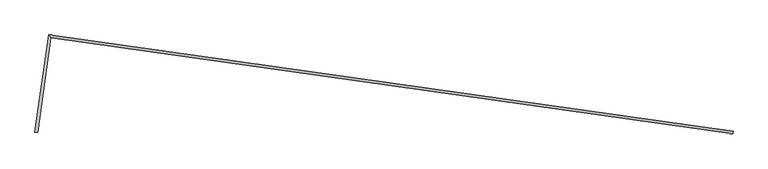
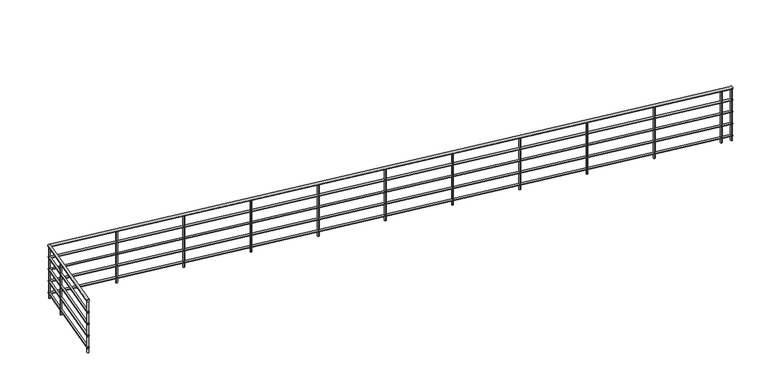
"""IFC4 building model written with IfcOpenShell, lengths in millimetres: railing geometry."""

from ifc_helpers import new_model, si_unit, point, frame, frame_2d, origin, place, context, project, spatial, circle_curve, ellipse_curve, trimmed, segment, composite_curve, outline, extrude, source, transform, mapped, element, save
from ifc_brep_helpers import plane_surface, cylinder_surface, advanced_brep


def railing_ba797a89(model_context):
    return source(origin(), model_context, "Body", "SolidModel", [
        advanced_brep(
        [(-8253.1368353, -549.3638195, 4180.0), (-8213.5261125, -554.9307435, 4180.0), (-8052.0317044, 881.5735398, 4180.0), (-8017.9879057, 836.3958931, 4180.0), (2030.2211885, -535.3946974, 4180.0), (2024.6542645, -575.0054202, 4180.0)],
        [
            (0, 1, circle_curve(frame((-8233.3314739, -552.1472815, 4180.0), z_axis=(-0.1391731009600669, -0.9902680687415701, 0.0), x_axis=(0.9902680687415701, -0.1391731009600669, 0.0)), 20.0)),
            (1, 0, circle_curve(frame((-8233.3314739, -552.1472815, 4180.0), z_axis=(-0.1391731009600669, -0.9902680687415701, 0.0), x_axis=(0.9902680687415701, -0.1391731009600669, 0.0)), 20.0)),
            (0, 2),
            (2, 3, ellipse_curve(frame((-8035.009805, 858.9847164, 4180.0), z_axis=(-0.7986355100472963, -0.6018150231520438, 0.0), x_axis=(0.6018150231520438, -0.7986355100472962, 0.0)), 28.2842712, 20.0)),
            (3, 1),
            (3, 2, ellipse_curve(frame((-8035.009805, 858.9847164, 4180.0), z_axis=(-0.7986355100472963, -0.6018150231520438, 0.0), x_axis=(0.6018150231520438, -0.7986355100472962, 0.0)), 28.2842712, 20.0)),
            (4, 5, circle_curve(frame((2027.4377265, -555.2000588, 4180.0), z_axis=(0.9902680687415689, -0.13917310096007532, 0.0), x_axis=(-0.13917310096007532, -0.9902680687415689, 0.0)), 20.0)),
            (5, 4, circle_curve(frame((2027.4377265, -555.2000588, 4180.0), z_axis=(0.9902680687415689, -0.13917310096007532, 0.0), x_axis=(-0.13917310096007532, -0.9902680687415689, 0.0)), 20.0)),
            (2, 4),
            (5, 3),
        ],
        [
            plane_surface(frame((-8233.3314739, -552.1472815, 4200.0), z_axis=(-0.13917310096006694, -0.9902680687415701, 0.0), x_axis=(0.9902680687415701, -0.13917310096006694, 0.0))),
            cylinder_surface(frame((-8233.3314739, -552.1472815, 4180.0), z_axis=(-0.1391731009600669, -0.9902680687415701, 0.0), x_axis=(0.9902680687415701, -0.1391731009600669, 0.0)), 20.0),
            plane_surface(frame((2027.4377265, -555.2000588, 4200.0), z_axis=(0.990268068741569, -0.13917310096007543, 0.0), x_axis=(0.13917310096007543, 0.990268068741569, 0.0))),
            cylinder_surface(frame((-8035.009805, 858.9847164, 4180.0), z_axis=(-0.9902680687415689, 0.13917310096007532, 0.0), x_axis=(-0.13917310096007532, -0.9902680687415689, 0.0)), 20.0),
        ],
        [
            (0, [[1, 2]]),
            (1, [[-1, 3, 4, 5]]),
            (1, [[-2, -5, 6, -3]]),
            (2, [[7, 8]]),
            (3, [[-4, 9, -8, 10]]),
            (3, [[-6, -10, -7, -9]]),
        ],
    ),
        advanced_brep(
        [(-8248.1854949, -550.059685, 3985.0), (-8218.4774529, -554.234878, 3985.0), (-8047.7762295, 875.926334, 3985.0), (-8022.2433805, 842.0430989, 3985.0), (2029.525323, -540.3460377, 3985.0), (2025.35013, -570.0540798, 3985.0)],
        [
            (0, 1, circle_curve(frame((-8233.3314739, -552.1472815, 3985.0), z_axis=(-0.1391731009600669, -0.9902680687415701, 0.0), x_axis=(0.9902680687415701, -0.1391731009600669, 0.0)), 15.0)),
            (1, 0, circle_curve(frame((-8233.3314739, -552.1472815, 3985.0), z_axis=(-0.1391731009600669, -0.9902680687415701, 0.0), x_axis=(0.9902680687415701, -0.1391731009600669, 0.0)), 15.0)),
            (0, 2),
            (2, 3, ellipse_curve(frame((-8035.009805, 858.9847164, 3985.0), z_axis=(-0.7986355100472963, -0.6018150231520438, 0.0), x_axis=(0.6018150231520438, -0.7986355100472962, 0.0)), 21.2132034, 15.0)),
            (3, 1),
            (3, 2, ellipse_curve(frame((-8035.009805, 858.9847164, 3985.0), z_axis=(-0.7986355100472963, -0.6018150231520438, 0.0), x_axis=(0.6018150231520438, -0.7986355100472962, 0.0)), 21.2132034, 15.0)),
            (4, 5, circle_curve(frame((2027.4377265, -555.2000588, 3985.0), z_axis=(0.9902680687415689, -0.13917310096007532, 0.0), x_axis=(-0.13917310096007532, -0.9902680687415689, 0.0)), 15.0)),
            (5, 4, circle_curve(frame((2027.4377265, -555.2000588, 3985.0), z_axis=(0.9902680687415689, -0.13917310096007532, 0.0), x_axis=(-0.13917310096007532, -0.9902680687415689, 0.0)), 15.0)),
            (2, 4),
            (5, 3),
        ],
        [
            plane_surface(frame((-8233.3314739, -552.1472815, 4000.0), z_axis=(-0.13917310096006694, -0.9902680687415701, 0.0), x_axis=(0.9902680687415701, -0.13917310096006694, 0.0))),
            cylinder_surface(frame((-8233.3314739, -552.1472815, 3985.0), z_axis=(-0.1391731009600669, -0.9902680687415701, 0.0), x_axis=(0.9902680687415701, -0.1391731009600669, 0.0)), 15.0),
            plane_surface(frame((2027.4377265, -555.2000588, 4000.0), z_axis=(0.990268068741569, -0.13917310096007543, 0.0), x_axis=(0.13917310096007543, 0.990268068741569, 0.0))),
            cylinder_surface(frame((-8035.009805, 858.9847164, 3985.0), z_axis=(-0.9902680687415689, 0.13917310096007532, 0.0), x_axis=(-0.13917310096007532, -0.9902680687415689, 0.0)), 15.0),
        ],
        [
            (0, [[1, 2]]),
            (1, [[-1, 3, 4, 5]]),
            (1, [[-2, -5, 6, -3]]),
            (2, [[7, 8]]),
            (3, [[-4, 9, -8, 10]]),
            (3, [[-6, -10, -7, -9]]),
        ],
    ),
        advanced_brep(
        [(-8248.1854949, -550.059685, 3785.0), (-8218.4774529, -554.234878, 3785.0), (-8047.7762295, 875.926334, 3785.0), (-8022.2433805, 842.0430989, 3785.0), (2029.525323, -540.3460377, 3785.0), (2025.35013, -570.0540798, 3785.0)],
        [
            (0, 1, circle_curve(frame((-8233.3314739, -552.1472815, 3785.0), z_axis=(-0.1391731009600669, -0.9902680687415701, 0.0), x_axis=(0.9902680687415701, -0.1391731009600669, 0.0)), 15.0)),
            (1, 0, circle_curve(frame((-8233.3314739, -552.1472815, 3785.0), z_axis=(-0.1391731009600669, -0.9902680687415701, 0.0), x_axis=(0.9902680687415701, -0.1391731009600669, 0.0)), 15.0)),
            (0, 2),
            (2, 3, ellipse_curve(frame((-8035.009805, 858.9847164, 3785.0), z_axis=(-0.7986355100472963, -0.6018150231520438, 0.0), x_axis=(0.6018150231520438, -0.7986355100472962, 0.0)), 21.2132034, 15.0)),
            (3, 1),
            (3, 2, ellipse_curve(frame((-8035.009805, 858.9847164, 3785.0), z_axis=(-0.7986355100472963, -0.6018150231520438, 0.0), x_axis=(0.6018150231520438, -0.7986355100472962, 0.0)), 21.2132034, 15.0)),
            (4, 5, circle_curve(frame((2027.4377265, -555.2000588, 3785.0), z_axis=(0.9902680687415689, -0.13917310096007532, 0.0), x_axis=(-0.13917310096007532, -0.9902680687415689, 0.0)), 15.0)),
            (5, 4, circle_curve(frame((2027.4377265, -555.2000588, 3785.0), z_axis=(0.9902680687415689, -0.13917310096007532, 0.0), x_axis=(-0.13917310096007532, -0.9902680687415689, 0.0)), 15.0)),
            (2, 4),
            (5, 3),
        ],
        [
            plane_surface(frame((-8233.3314739, -552.1472815, 3800.0), z_axis=(-0.13917310096006694, -0.9902680687415701, 0.0), x_axis=(0.9902680687415701, -0.13917310096006694, 0.0))),
            cylinder_surface(frame((-8233.3314739, -552.1472815, 3785.0), z_axis=(-0.1391731009600669, -0.9902680687415701, 0.0), x_axis=(0.9902680687415701, -0.1391731009600669, 0.0)), 15.0),
            plane_surface(frame((2027.4377265, -555.2000588, 3800.0), z_axis=(0.990268068741569, -0.13917310096007543, 0.0), x_axis=(0.13917310096007543, 0.990268068741569, 0.0))),
            cylinder_surface(frame((-8035.009805, 858.9847164, 3785.0), z_axis=(-0.9902680687415689, 0.13917310096007532, 0.0), x_axis=(-0.13917310096007532, -0.9902680687415689, 0.0)), 15.0),
        ],
        [
            (0, [[1, 2]]),
            (1, [[-1, 3, 4, 5]]),
            (1, [[-2, -5, 6, -3]]),
            (2, [[7, 8]]),
            (3, [[-4, 9, -8, 10]]),
            (3, [[-6, -10, -7, -9]]),
        ],
    ),
        advanced_brep(
        [(-8248.1854949, -550.059685, 3585.0), (-8218.4774529, -554.234878, 3585.0), (-8047.7762295, 875.926334, 3585.0), (-8022.2433805, 842.0430989, 3585.0), (2029.525323, -540.3460377, 3585.0), (2025.35013, -570.0540798, 3585.0)],
        [
            (0, 1, circle_curve(frame((-8233.3314739, -552.1472815, 3585.0), z_axis=(-0.1391731009600669, -0.9902680687415701, 0.0), x_axis=(0.9902680687415701, -0.1391731009600669, 0.0)), 15.0)),
            (1, 0, circle_curve(frame((-8233.3314739, -552.1472815, 3585.0), z_axis=(-0.1391731009600669, -0.9902680687415701, 0.0), x_axis=(0.9902680687415701, -0.1391731009600669, 0.0)), 15.0)),
            (0, 2),
            (2, 3, ellipse_curve(frame((-8035.009805, 858.9847164, 3585.0), z_axis=(-0.7986355100472963, -0.6018150231520438, 0.0), x_axis=(0.6018150231520438, -0.7986355100472962, 0.0)), 21.2132034, 15.0)),
            (3, 1),
            (3, 2, ellipse_curve(frame((-8035.009805, 858.9847164, 3585.0), z_axis=(-0.7986355100472963, -0.6018150231520438, 0.0), x_axis=(0.6018150231520438, -0.7986355100472962, 0.0)), 21.2132034, 15.0)),
            (4, 5, circle_curve(frame((2027.4377265, -555.2000588, 3585.0), z_axis=(0.9902680687415689, -0.13917310096007532, 0.0), x_axis=(-0.13917310096007532, -0.9902680687415689, 0.0)), 15.0)),
            (5, 4, circle_curve(frame((2027.4377265, -555.2000588, 3585.0), z_axis=(0.9902680687415689, -0.13917310096007532, 0.0), x_axis=(-0.13917310096007532, -0.9902680687415689, 0.0)), 15.0)),
            (2, 4),
            (5, 3),
        ],
        [
            plane_surface(frame((-8233.3314739, -552.1472815, 3600.0), z_axis=(-0.13917310096006694, -0.9902680687415701, 0.0), x_axis=(0.9902680687415701, -0.13917310096006694, 0.0))),
            cylinder_surface(frame((-8233.3314739, -552.1472815, 3585.0), z_axis=(-0.1391731009600669, -0.9902680687415701, 0.0), x_axis=(0.9902680687415701, -0.1391731009600669, 0.0)), 15.0),
            plane_surface(frame((2027.4377265, -555.2000588, 3600.0), z_axis=(0.990268068741569, -0.13917310096007543, 0.0), x_axis=(0.13917310096007543, 0.990268068741569, 0.0))),
            cylinder_surface(frame((-8035.009805, 858.9847164, 3585.0), z_axis=(-0.9902680687415689, 0.13917310096007532, 0.0), x_axis=(-0.13917310096007532, -0.9902680687415689, 0.0)), 15.0),
        ],
        [
            (0, [[1, 2]]),
            (1, [[-1, 3, 4, 5]]),
            (1, [[-2, -5, 6, -3]]),
            (2, [[7, 8]]),
            (3, [[-4, 9, -8, 10]]),
            (3, [[-6, -10, -7, -9]]),
        ],
    ),
        advanced_brep(
        [(-8248.1854949, -550.059685, 3385.0), (-8218.4774529, -554.234878, 3385.0), (-8047.7762295, 875.926334, 3385.0), (-8022.2433805, 842.0430989, 3385.0), (2029.525323, -540.3460377, 3385.0), (2025.35013, -570.0540798, 3385.0)],
        [
            (0, 1, circle_curve(frame((-8233.3314739, -552.1472815, 3385.0), z_axis=(-0.1391731009600669, -0.9902680687415701, 0.0), x_axis=(0.9902680687415701, -0.1391731009600669, 0.0)), 15.0)),
            (1, 0, circle_curve(frame((-8233.3314739, -552.1472815, 3385.0), z_axis=(-0.1391731009600669, -0.9902680687415701, 0.0), x_axis=(0.9902680687415701, -0.1391731009600669, 0.0)), 15.0)),
            (0, 2),
            (2, 3, ellipse_curve(frame((-8035.009805, 858.9847164, 3385.0), z_axis=(-0.7986355100472963, -0.6018150231520438, 0.0), x_axis=(0.6018150231520438, -0.7986355100472962, 0.0)), 21.2132034, 15.0)),
            (3, 1),
            (3, 2, ellipse_curve(frame((-8035.009805, 858.9847164, 3385.0), z_axis=(-0.7986355100472963, -0.6018150231520438, 0.0), x_axis=(0.6018150231520438, -0.7986355100472962, 0.0)), 21.2132034, 15.0)),
            (4, 5, circle_curve(frame((2027.4377265, -555.2000588, 3385.0), z_axis=(0.9902680687415689, -0.13917310096007532, 0.0), x_axis=(-0.13917310096007532, -0.9902680687415689, 0.0)), 15.0)),
            (5, 4, circle_curve(frame((2027.4377265, -555.2000588, 3385.0), z_axis=(0.9902680687415689, -0.13917310096007532, 0.0), x_axis=(-0.13917310096007532, -0.9902680687415689, 0.0)), 15.0)),
            (2, 4),
            (5, 3),
        ],
        [
            plane_surface(frame((-8233.3314739, -552.1472815, 3400.0), z_axis=(-0.13917310096006694, -0.9902680687415701, 0.0), x_axis=(0.9902680687415701, -0.13917310096006694, 0.0))),
            cylinder_surface(frame((-8233.3314739, -552.1472815, 3385.0), z_axis=(-0.1391731009600669, -0.9902680687415701, 0.0), x_axis=(0.9902680687415701, -0.1391731009600669, 0.0)), 15.0),
            plane_surface(frame((2027.4377265, -555.2000588, 3400.0), z_axis=(0.990268068741569, -0.13917310096007543, 0.0), x_axis=(0.13917310096007543, 0.990268068741569, 0.0))),
            cylinder_surface(frame((-8035.009805, 858.9847164, 3385.0), z_axis=(-0.9902680687415689, 0.13917310096007532, 0.0), x_axis=(-0.13917310096007532, -0.9902680687415689, 0.0)), 15.0),
        ],
        [
            (0, [[1, 2]]),
            (1, [[-1, 3, 4, 5]]),
            (1, [[-2, -5, 6, -3]]),
            (2, [[7, 8]]),
            (3, [[-4, 9, -8, 10]]),
            (3, [[-6, -10, -7, -9]]),
        ],
    ),
        extrude(outline(composite_curve([segment(trimmed(circle_curve(frame_2d((1867.6708824, -532.7462932)), 12.5), [point((1869.4105462, -520.3679423))], [point((1865.9312186, -545.124644))], False, "CARTESIAN"), True, "CONTINUOUS"), segment(trimmed(circle_curve(frame_2d((1867.6708824, -532.7462932)), 12.5), [point((1865.9312186, -545.124644))], [point((1869.4105462, -520.3679423))], False, "CARTESIAN"), True, "CONTINUOUS")], self_intersect=False)), frame((0.0, 0.0, 3300.0), z_axis=(0.0, 0.0, 1.0), x_axis=(1.0, 0.0, 0.0)), (0.0, 0.0, 1.0), 860.0),
        extrude(outline(composite_curve([segment(trimmed(circle_curve(frame_2d((877.4028136, -393.5731922)), 12.5), [point((879.1424774, -381.1948413))], [point((875.6631499, -405.9515431))], False, "CARTESIAN"), True, "CONTINUOUS"), segment(trimmed(circle_curve(frame_2d((877.4028136, -393.5731922)), 12.5), [point((875.6631499, -405.9515431))], [point((879.1424774, -381.1948413))], False, "CARTESIAN"), True, "CONTINUOUS")], self_intersect=False)), frame((0.0, 0.0, 3300.0), z_axis=(0.0, 0.0, 1.0), x_axis=(1.0, 0.0, 0.0)), (0.0, 0.0, 1.0), 860.0),
        extrude(outline(composite_curve([segment(trimmed(circle_curve(frame_2d((-112.8652551, -254.4000912)), 12.5), [point((-111.1255913, -242.0217404))], [point((-114.6049189, -266.7784421))], False, "CARTESIAN"), True, "CONTINUOUS"), segment(trimmed(circle_curve(frame_2d((-112.8652551, -254.4000912)), 12.5), [point((-114.6049189, -266.7784421))], [point((-111.1255913, -242.0217404))], False, "CARTESIAN"), True, "CONTINUOUS")], self_intersect=False)), frame((0.0, 0.0, 3300.0), z_axis=(0.0, 0.0, 1.0), x_axis=(1.0, 0.0, 0.0)), (0.0, 0.0, 1.0), 860.0),
        extrude(outline(composite_curve([segment(trimmed(circle_curve(frame_2d((-1103.1333238, -115.2269903)), 12.5), [point((-1101.3936601, -102.8486394))], [point((-1104.8729876, -127.6053411))], False, "CARTESIAN"), True, "CONTINUOUS"), segment(trimmed(circle_curve(frame_2d((-1103.1333238, -115.2269903)), 12.5), [point((-1104.8729876, -127.6053411))], [point((-1101.3936601, -102.8486394))], False, "CARTESIAN"), True, "CONTINUOUS")], self_intersect=False)), frame((0.0, 0.0, 3300.0), z_axis=(0.0, 0.0, 1.0), x_axis=(1.0, 0.0, 0.0)), (0.0, 0.0, 1.0), 860.0),
        extrude(outline(composite_curve([segment(trimmed(circle_curve(frame_2d((-2093.4013926, 23.9461107)), 12.5), [point((-2091.6617288, 36.3244615))], [point((-2095.1410563, 11.5677598))], False, "CARTESIAN"), True, "CONTINUOUS"), segment(trimmed(circle_curve(frame_2d((-2093.4013926, 23.9461107)), 12.5), [point((-2095.1410563, 11.5677598))], [point((-2091.6617288, 36.3244615))], False, "CARTESIAN"), True, "CONTINUOUS")], self_intersect=False)), frame((0.0, 0.0, 3300.0), z_axis=(0.0, 0.0, 1.0), x_axis=(1.0, 0.0, 0.0)), (0.0, 0.0, 1.0), 860.0),
        extrude(outline(composite_curve([segment(trimmed(circle_curve(frame_2d((-3083.6694613, 163.1192116)), 12.5), [point((-3081.9297976, 175.4975625))], [point((-3085.4091251, 150.7408608))], False, "CARTESIAN"), True, "CONTINUOUS"), segment(trimmed(circle_curve(frame_2d((-3083.6694613, 163.1192116)), 12.5), [point((-3085.4091251, 150.7408608))], [point((-3081.9297976, 175.4975625))], False, "CARTESIAN"), True, "CONTINUOUS")], self_intersect=False)), frame((0.0, 0.0, 3300.0), z_axis=(0.0, 0.0, 1.0), x_axis=(1.0, 0.0, 0.0)), (0.0, 0.0, 1.0), 860.0),
        extrude(outline(composite_curve([segment(trimmed(circle_curve(frame_2d((-4073.9375301, 302.2923126)), 12.5), [point((-4072.1978663, 314.6706635))], [point((-4075.6771938, 289.9139617))], False, "CARTESIAN"), True, "CONTINUOUS"), segment(trimmed(circle_curve(frame_2d((-4073.9375301, 302.2923126)), 12.5), [point((-4075.6771938, 289.9139617))], [point((-4072.1978663, 314.6706635))], False, "CARTESIAN"), True, "CONTINUOUS")], self_intersect=False)), frame((0.0, 0.0, 3300.0), z_axis=(0.0, 0.0, 1.0), x_axis=(1.0, 0.0, 0.0)), (0.0, 0.0, 1.0), 860.0),
        extrude(outline(composite_curve([segment(trimmed(circle_curve(frame_2d((-5064.2055988, 441.4654136)), 12.5), [point((-5062.465935, 453.8437644))], [point((-5065.9452626, 429.0870627))], False, "CARTESIAN"), True, "CONTINUOUS"), segment(trimmed(circle_curve(frame_2d((-5064.2055988, 441.4654136)), 12.5), [point((-5065.9452626, 429.0870627))], [point((-5062.465935, 453.8437644))], False, "CARTESIAN"), True, "CONTINUOUS")], self_intersect=False)), frame((0.0, 0.0, 3300.0), z_axis=(0.0, 0.0, 1.0), x_axis=(1.0, 0.0, 0.0)), (0.0, 0.0, 1.0), 860.0),
        extrude(outline(composite_curve([segment(trimmed(circle_curve(frame_2d((-6054.4736675, 580.6385145)), 12.5), [point((-6052.7340038, 593.0168654))], [point((-6056.2133313, 568.2601637))], False, "CARTESIAN"), True, "CONTINUOUS"), segment(trimmed(circle_curve(frame_2d((-6054.4736675, 580.6385145)), 12.5), [point((-6056.2133313, 568.2601637))], [point((-6052.7340038, 593.0168654))], False, "CARTESIAN"), True, "CONTINUOUS")], self_intersect=False)), frame((0.0, 0.0, 3300.0), z_axis=(0.0, 0.0, 1.0), x_axis=(1.0, 0.0, 0.0)), (0.0, 0.0, 1.0), 860.0),
        extrude(outline(composite_curve([segment(trimmed(circle_curve(frame_2d((-7044.7417363, 719.8116155)), 12.5), [point((-7043.0020725, 732.1899663))], [point((-7046.4814, 707.4332646))], False, "CARTESIAN"), True, "CONTINUOUS"), segment(trimmed(circle_curve(frame_2d((-7044.7417363, 719.8116155)), 12.5), [point((-7046.4814, 707.4332646))], [point((-7043.0020725, 732.1899663))], False, "CARTESIAN"), True, "CONTINUOUS")], self_intersect=False)), frame((0.0, 0.0, 3300.0), z_axis=(0.0, 0.0, 1.0), x_axis=(1.0, 0.0, 0.0)), (0.0, 0.0, 1.0), 860.0),
        extrude(outline(composite_curve([segment(trimmed(circle_curve(frame_2d((-8094.1583729, 438.1207872)), 12.5), [point((-8106.5367238, 439.860451))], [point((-8081.7800221, 436.3811235))], False, "CARTESIAN"), True, "CONTINUOUS"), segment(trimmed(circle_curve(frame_2d((-8094.1583729, 438.1207872)), 12.5), [point((-8081.7800221, 436.3811235))], [point((-8106.5367238, 439.860451))], False, "CARTESIAN"), True, "CONTINUOUS")], self_intersect=False)), frame((0.0, 0.0, 3300.0), z_axis=(0.0, 0.0, 1.0), x_axis=(1.0, 0.0, 0.0)), (0.0, 0.0, 1.0), 860.0),
        extrude(outline(composite_curve([segment(trimmed(circle_curve(frame_2d((-8035.009805, 858.9847164)), 12.5), [point((-8047.3881559, 860.7243802))], [point((-8022.6314542, 857.2450527))], False, "CARTESIAN"), True, "CONTINUOUS"), segment(trimmed(circle_curve(frame_2d((-8035.009805, 858.9847164)), 12.5), [point((-8022.6314542, 857.2450527))], [point((-8047.3881559, 860.7243802))], False, "CARTESIAN"), True, "CONTINUOUS")], self_intersect=False)), frame((0.0, 0.0, 3300.0), z_axis=(0.0, 0.0, 1.0), x_axis=(1.0, 0.0, 0.0)), (0.0, 0.0, 1.0), 860.0),
        extrude(outline(composite_curve([segment(trimmed(circle_curve(frame_2d((2015.0593756, -553.460395)), 12.5), [point((2016.7990394, -541.0820442))], [point((2013.3197119, -565.8387459))], False, "CARTESIAN"), True, "CONTINUOUS"), segment(trimmed(circle_curve(frame_2d((2015.0593756, -553.460395)), 12.5), [point((2013.3197119, -565.8387459))], [point((2016.7990394, -541.0820442))], False, "CARTESIAN"), True, "CONTINUOUS")], self_intersect=False)), frame((0.0, 0.0, 3300.0), z_axis=(0.0, 0.0, 1.0), x_axis=(1.0, 0.0, 0.0)), (0.0, 0.0, 1.0), 860.0),
        extrude(outline(composite_curve([segment(trimmed(circle_curve(frame_2d((-8231.5918101, -539.7689306)), 12.5), [point((-8243.970161, -538.0292669))], [point((-8219.2134593, -541.5085944))], False, "CARTESIAN"), True, "CONTINUOUS"), segment(trimmed(circle_curve(frame_2d((-8231.5918101, -539.7689306)), 12.5), [point((-8219.2134593, -541.5085944))], [point((-8243.970161, -538.0292669))], False, "CARTESIAN"), True, "CONTINUOUS")], self_intersect=False)), frame((0.0, 0.0, 3300.0), z_axis=(0.0, 0.0, 1.0), x_axis=(1.0, 0.0, 0.0)), (0.0, 0.0, 1.0), 860.0),
    ])


if __name__ == "__main__":
    model = new_model("IFC4")
    model_context = context("Model", 3, world=origin())
    ifc_project = project(units=[si_unit("LENGTHUNIT", "METRE", prefix="MILLI")], contexts=[model_context])
    site = spatial("IfcSite", under=ifc_project)
    building = spatial("IfcBuilding", under=site)
    placement = place(None, origin())
    railing_shape = railing_ba797a89(model_context)
    element("IfcRailing", 1, at=placement, inside=building, context=model_context, shape_type="MappedRepresentation", body=[
        mapped(railing_shape, transform((0.0, 0.0, 0.0), x_axis=(1.0, 0.0, 0.0), y_axis=(0.0, 1.0, 0.0), z_axis=(0.0, 0.0, 1.0))),
    ])
    save(model, "model.ifc")
